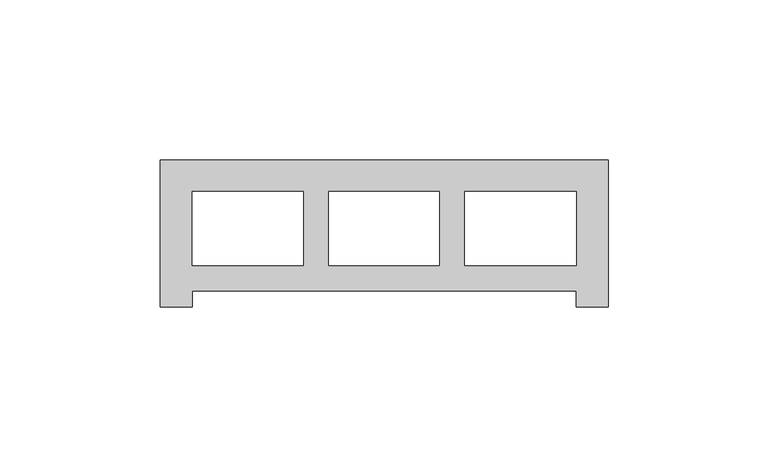
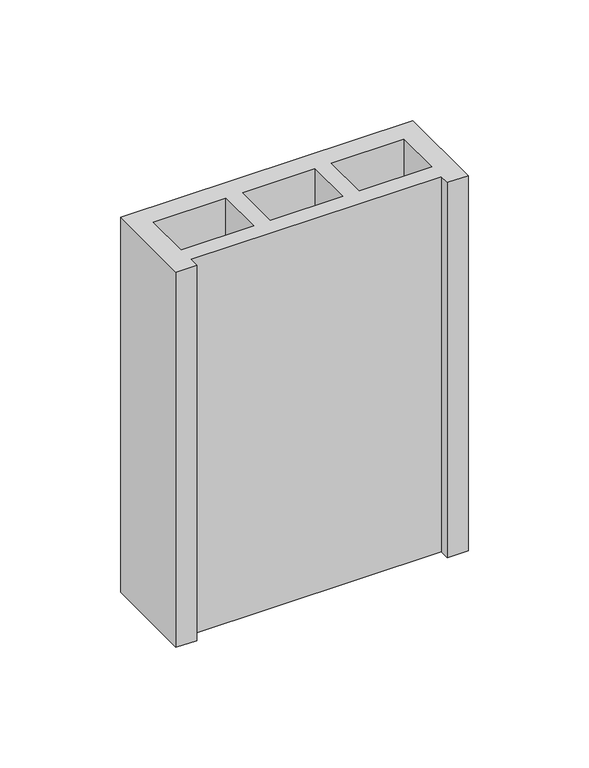
"""IFC4 building model written with IfcOpenShell, lengths in millimetres: proxy geometry."""

import ifcopenshell
import ifcopenshell.guid

model = None  # the IFC model being written
_history = None  # IfcOwnerHistory: only IFC2X3 demands one
_inside = {}  # id of a spatial element -> (the spatial element, [elements in it])
_under = {}  # id of a project, library or spatial element -> (it, [spatial elements below it])
_declared = {}  # id of a project -> (the project, [libraries it declares])
_typed = {}  # id of a type object -> (the type object, [elements of that type])
_made_of = {}  # id of a material, layer set ... -> (it, [elements and type objects made of it])


def new_model(schema):
    """Start an empty IFC model of exactly this schema.

    Asked for "IFC4X3", IfcOpenShell would pick the latest addendum, in which some entities
    have other attributes; the version numbers below select the first issue.
    IFC2X3 requires an IfcOwnerHistory on every rooted entity: one is made here for all.
    """
    global model, _history
    if schema == "IFC4X3":
        model = ifcopenshell.file(schema_version=(4, 3, 0, 0))
    else:
        model = ifcopenshell.file(schema=schema)
    _inside.clear()
    _under.clear()
    _declared.clear()
    _typed.clear()
    _made_of.clear()
    _history = None
    if model.schema == "IFC2X3":
        org = make("IfcOrganization", Name="unknown")
        user = make(
            "IfcPersonAndOrganization",
            ThePerson=make("IfcPerson", FamilyName="unknown"),
            TheOrganization=org,
        )
        app = make(
            "IfcApplication",
            ApplicationDeveloper=org,
            Version="unknown",
            ApplicationFullName="unknown",
            ApplicationIdentifier="unknown",
        )
        _history = make(
            "IfcOwnerHistory",
            OwningUser=user,
            OwningApplication=app,
            ChangeAction="ADDED",
            CreationDate=0,
        )
    return model


def make(cls, **values):
    """One entity of the class cls with the attributes given. An attribute that is None is left unset."""
    return model.create_entity(
        cls, **{name: value for name, value in values.items() if value is not None}
    )


def rooted(cls, **values):
    """An entity with a GlobalId (a new one), such as an element, a storey or a relation."""
    return make(cls, GlobalId=ifcopenshell.guid.new(), OwnerHistory=_history, **values)


def si_unit(unit_type, name, prefix=None):
    """IfcSIUnit, for example si_unit("LENGTHUNIT", "METRE", prefix="MILLI")."""
    return make("IfcSIUnit", UnitType=unit_type, Prefix=prefix, Name=name)


def assignment(units):
    """IfcUnitAssignment: the units of a project."""
    return None if units is None else make("IfcUnitAssignment", Units=units)


def point(xyz):
    """IfcCartesianPoint."""
    return None if xyz is None else make("IfcCartesianPoint", Coordinates=xyz)


def direction(xyz):
    """IfcDirection."""
    return None if xyz is None else make("IfcDirection", DirectionRatios=xyz)


def frame(location, z_axis=None, x_axis=None):
    """IfcAxis2Placement3D, a coordinate frame: its origin and axes. An axis left out is left unset."""
    return make(
        "IfcAxis2Placement3D",
        Location=point(location),
        Axis=direction(z_axis),
        RefDirection=direction(x_axis),
    )


def origin():
    """The frame at (0, 0, 0) with its axes left unset."""
    return frame((0.0, 0.0, 0.0))


def origin_with_axes():
    """The frame at (0, 0, 0) with the z axis (0, 0, 1) and the x axis (1, 0, 0) written out."""
    return frame((0.0, 0.0, 0.0), z_axis=(0.0, 0.0, 1.0), x_axis=(1.0, 0.0, 0.0))


def place(relative_to, where):
    """IfcLocalPlacement: puts the frame where relative to a parent placement (None: the world)."""
    return make(
        "IfcLocalPlacement", PlacementRelTo=relative_to, RelativePlacement=where
    )


def context(
    kind, dimensions, precision=None, world=None, true_north=None, identifier=None
):
    """IfcGeometricRepresentationContext, for example the 3D "Model" context."""
    return make(
        "IfcGeometricRepresentationContext",
        ContextIdentifier=identifier,
        ContextType=kind,
        CoordinateSpaceDimension=dimensions,
        Precision=precision,
        WorldCoordinateSystem=world,
        TrueNorth=true_north,
    )


def project(units=None, contexts=None):
    """IfcProject with its units and contexts."""
    return rooted(
        "IfcProject",
        Name="project",
        RepresentationContexts=contexts,
        UnitsInContext=assignment(units),
    )


def spatial(cls, under=None, at=None, **own):
    """A site, building, storey or space (cls), placed at a placement, below another one or the project."""
    s = rooted(cls, ObjectPlacement=at, **own)
    if under is not None:
        _under.setdefault(under.id(), (under, []))[1].append(s)
    return s


def polyline(points):
    """IfcPolyline through the points."""
    return make("IfcPolyline", Points=[point(p) for p in points])


def outline(outer, holes=None, kind="AREA"):
    """IfcArbitraryClosedProfileDef: a profile drawn as a closed curve; with holes, ...WithVoids."""
    if holes is None:
        return make("IfcArbitraryClosedProfileDef", ProfileType=kind, OuterCurve=outer)
    return make(
        "IfcArbitraryProfileDefWithVoids",
        ProfileType=kind,
        OuterCurve=outer,
        InnerCurves=holes,
    )


def extrude(swept, where, along, depth):
    """IfcExtrudedAreaSolid: the profile swept, set in the frame where, extruded along a direction by depth."""
    return make(
        "IfcExtrudedAreaSolid",
        SweptArea=swept,
        Position=where,
        ExtrudedDirection=direction(along),
        Depth=depth,
    )


def shape(context_of_items, identifier, shape_type, items):
    """IfcShapeRepresentation: the items that make up one representation, for example the "Body"."""
    return make(
        "IfcShapeRepresentation",
        ContextOfItems=context_of_items,
        RepresentationIdentifier=identifier,
        RepresentationType=shape_type,
        Items=items,
    )


def source(mapping_origin, context_of_items, identifier, shape_type, items):
    """IfcRepresentationMap: a shape defined once, which mapped items show again and again."""
    return make(
        "IfcRepresentationMap",
        MappingOrigin=mapping_origin,
        MappedRepresentation=shape(context_of_items, identifier, shape_type, items),
    )


def transform(
    local_origin,
    x_axis=None,
    y_axis=None,
    z_axis=None,
    scale=None,
    scale2=None,
    scale3=None,
    uniform=True,
):
    """IfcCartesianTransformationOperator3D, or its non-uniform kind. x_axis, y_axis, z_axis: its Axis1, 2, 3."""
    if uniform:
        return make(
            "IfcCartesianTransformationOperator3D",
            Axis1=direction(x_axis),
            Axis2=direction(y_axis),
            LocalOrigin=point(local_origin),
            Scale=scale,
            Axis3=direction(z_axis),
        )
    return make(
        "IfcCartesianTransformationOperator3DnonUniform",
        Axis1=direction(x_axis),
        Axis2=direction(y_axis),
        LocalOrigin=point(local_origin),
        Scale=scale,
        Axis3=direction(z_axis),
        Scale2=scale2,
        Scale3=scale3,
    )


def mapped(mapping_source, mapping_target):
    """IfcMappedItem: shows the shape of a source again, moved by a transform."""
    return make(
        "IfcMappedItem", MappingSource=mapping_source, MappingTarget=mapping_target
    )


def made_of(thing, what):
    """Note that an element or type object is made of a material, layer set ...; save() writes the relation."""
    if what is not None:
        _made_of.setdefault(what.id(), (what, []))[1].append(thing)
    return thing


def element(
    cls,
    number,
    at=None,
    inside=None,
    cuts=None,
    type_object=None,
    material=None,
    context=None,
    identifier="Body",
    shape_type=None,
    held_by="IfcProductDefinitionShape",
    body=None,
    shapes=None,
    **own,
):
    """One element of the class cls, such as IfcWall. Its Tag is "e" and its number.

    at: its placement. inside: the storey or other place that contains it. cuts: it is an
    opening in that element (IfcRelVoidsElement). A single representation is given by context,
    identifier, shape_type and body (its items); several are given by shapes. held_by: the class
    of the entity that holds the representations. save() writes the other relations.
    """
    e = rooted(cls, Tag="e%d" % number, ObjectPlacement=at, **own)
    if body is not None:
        shapes = [shape(context, identifier, shape_type, body)]
    if shapes is not None:
        e.Representation = make(held_by, Representations=shapes)
    if inside is not None:
        _inside.setdefault(inside.id(), (inside, []))[1].append(e)
    if cuts is not None:
        rooted(
            "IfcRelVoidsElement", RelatingBuildingElement=cuts, RelatedOpeningElement=e
        )
    if type_object is not None:
        _typed.setdefault(type_object.id(), (type_object, []))[1].append(e)
    return made_of(e, material)


def aggregate(whole, parts):
    """IfcRelAggregates: a whole, such as a stair, and the parts it consists of."""
    return rooted("IfcRelAggregates", RelatingObject=whole, RelatedObjects=parts)


def save(model, path):
    """Write the relations noted so far, then the file.

    IfcRelAggregates (storeys below a building ...), IfcRelContainedInSpatialStructure (elements
    in a storey), IfcRelDefinesByType, IfcRelAssociatesMaterial and IfcRelDeclares: one each for
    every whole, place, type object, material and project.
    """
    for whole, parts in _under.values():
        aggregate(whole, parts)
    for where, things in _inside.values():
        rooted(
            "IfcRelContainedInSpatialStructure",
            RelatedElements=things,
            RelatingStructure=where,
        )
    for kind, things in _typed.values():
        rooted("IfcRelDefinesByType", RelatedObjects=things, RelatingType=kind)
    for what, things in _made_of.values():
        rooted("IfcRelAssociatesMaterial", RelatedObjects=things, RelatingMaterial=what)
    for by, libraries in _declared.values():
        rooted("IfcRelDeclares", RelatingContext=by, RelatedDefinitions=libraries)
    model.write(path)


def generic_models_b8440f16(model_context):
    return source(origin(), model_context, "Body", "SweptSolid", [
        extrude(outline(polyline([(0.0, 46.0), (140.0, 46.0), (140.0, 0.0), (130.0, 0.0), (130.0, 5.0), (10.0, 5.0), (10.0, 0.0), (0.0, 0.0), (0.0, 46.0)]), holes=[polyline([(44.7, 36.0), (10.0, 36.0), (10.0, 13.0), (44.7, 13.0), (44.7, 36.0)]), polyline([(95.3, 36.0), (95.3, 13.0), (130.0, 13.0), (130.0, 36.0), (95.3, 36.0)]), polyline([(52.7, 13.0), (87.3, 13.0), (87.3, 36.0), (52.7, 36.0), (52.7, 13.0)])]), origin_with_axes(), (0.0, 0.0, 1.0), 190.0),
    ])


if __name__ == "__main__":
    model = new_model("IFC4")
    model_context = context("Model", 3, world=origin())
    ifc_project = project(units=[si_unit("LENGTHUNIT", "METRE", prefix="MILLI")], contexts=[model_context])
    site = spatial("IfcSite", under=ifc_project)
    building = spatial("IfcBuilding", under=site)
    placement = place(None, origin())
    generic_models_shape = generic_models_b8440f16(model_context)
    element("IfcBuildingElementProxy", 1, Name="Generic Models", at=placement, inside=building, context=model_context, shape_type="MappedRepresentation", body=[
        mapped(generic_models_shape, transform((0.0, 0.0, 0.0), x_axis=(1.0, 0.0, 0.0), y_axis=(0.0, 1.0, 0.0), z_axis=(0.0, 0.0, 1.0))),
    ])
    save(model, "model.ifc")
